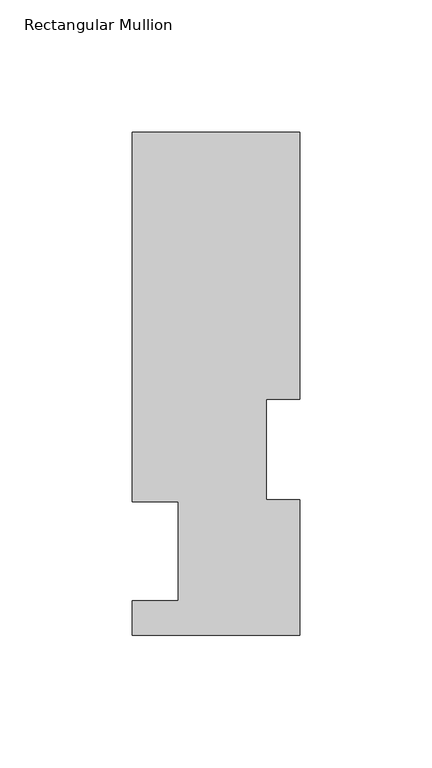
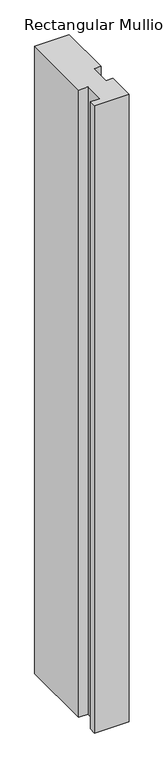
"""IFC4 building model written with IfcOpenShell, lengths in millimetres: member geometry, Rectangular Mullion."""

import ifcopenshell
import ifcopenshell.guid

model = None  # the IFC model being written
_history = None  # IfcOwnerHistory: only IFC2X3 demands one
_inside = {}  # id of a spatial element -> (the spatial element, [elements in it])
_under = {}  # id of a project, library or spatial element -> (it, [spatial elements below it])
_declared = {}  # id of a project -> (the project, [libraries it declares])
_typed = {}  # id of a type object -> (the type object, [elements of that type])
_made_of = {}  # id of a material, layer set ... -> (it, [elements and type objects made of it])


def new_model(schema):
    """Start an empty IFC model of exactly this schema.

    Asked for "IFC4X3", IfcOpenShell would pick the latest addendum, in which some entities
    have other attributes; the version numbers below select the first issue.
    IFC2X3 requires an IfcOwnerHistory on every rooted entity: one is made here for all.
    """
    global model, _history
    if schema == "IFC4X3":
        model = ifcopenshell.file(schema_version=(4, 3, 0, 0))
    else:
        model = ifcopenshell.file(schema=schema)
    _inside.clear()
    _under.clear()
    _declared.clear()
    _typed.clear()
    _made_of.clear()
    _history = None
    if model.schema == "IFC2X3":
        org = make("IfcOrganization", Name="unknown")
        user = make(
            "IfcPersonAndOrganization",
            ThePerson=make("IfcPerson", FamilyName="unknown"),
            TheOrganization=org,
        )
        app = make(
            "IfcApplication",
            ApplicationDeveloper=org,
            Version="unknown",
            ApplicationFullName="unknown",
            ApplicationIdentifier="unknown",
        )
        _history = make(
            "IfcOwnerHistory",
            OwningUser=user,
            OwningApplication=app,
            ChangeAction="ADDED",
            CreationDate=0,
        )
    return model


def make(cls, **values):
    """One entity of the class cls with the attributes given. An attribute that is None is left unset."""
    return model.create_entity(
        cls, **{name: value for name, value in values.items() if value is not None}
    )


def rooted(cls, **values):
    """An entity with a GlobalId (a new one), such as an element, a storey or a relation."""
    return make(cls, GlobalId=ifcopenshell.guid.new(), OwnerHistory=_history, **values)


def si_unit(unit_type, name, prefix=None):
    """IfcSIUnit, for example si_unit("LENGTHUNIT", "METRE", prefix="MILLI")."""
    return make("IfcSIUnit", UnitType=unit_type, Prefix=prefix, Name=name)


def assignment(units):
    """IfcUnitAssignment: the units of a project."""
    return None if units is None else make("IfcUnitAssignment", Units=units)


def point(xyz):
    """IfcCartesianPoint."""
    return None if xyz is None else make("IfcCartesianPoint", Coordinates=xyz)


def direction(xyz):
    """IfcDirection."""
    return None if xyz is None else make("IfcDirection", DirectionRatios=xyz)


def frame(location, z_axis=None, x_axis=None):
    """IfcAxis2Placement3D, a coordinate frame: its origin and axes. An axis left out is left unset."""
    return make(
        "IfcAxis2Placement3D",
        Location=point(location),
        Axis=direction(z_axis),
        RefDirection=direction(x_axis),
    )


def origin():
    """The frame at (0, 0, 0) with its axes left unset."""
    return frame((0.0, 0.0, 0.0))


def place(relative_to, where):
    """IfcLocalPlacement: puts the frame where relative to a parent placement (None: the world)."""
    return make(
        "IfcLocalPlacement", PlacementRelTo=relative_to, RelativePlacement=where
    )


def context(
    kind, dimensions, precision=None, world=None, true_north=None, identifier=None
):
    """IfcGeometricRepresentationContext, for example the 3D "Model" context."""
    return make(
        "IfcGeometricRepresentationContext",
        ContextIdentifier=identifier,
        ContextType=kind,
        CoordinateSpaceDimension=dimensions,
        Precision=precision,
        WorldCoordinateSystem=world,
        TrueNorth=true_north,
    )


def project(units=None, contexts=None):
    """IfcProject with its units and contexts."""
    return rooted(
        "IfcProject",
        Name="project",
        RepresentationContexts=contexts,
        UnitsInContext=assignment(units),
    )


def spatial(cls, under=None, at=None, **own):
    """A site, building, storey or space (cls), placed at a placement, below another one or the project."""
    s = rooted(cls, ObjectPlacement=at, **own)
    if under is not None:
        _under.setdefault(under.id(), (under, []))[1].append(s)
    return s


def polyline(points):
    """IfcPolyline through the points."""
    return make("IfcPolyline", Points=[point(p) for p in points])


def outline(outer, holes=None, kind="AREA"):
    """IfcArbitraryClosedProfileDef: a profile drawn as a closed curve; with holes, ...WithVoids."""
    if holes is None:
        return make("IfcArbitraryClosedProfileDef", ProfileType=kind, OuterCurve=outer)
    return make(
        "IfcArbitraryProfileDefWithVoids",
        ProfileType=kind,
        OuterCurve=outer,
        InnerCurves=holes,
    )


def extrude(swept, where, along, depth):
    """IfcExtrudedAreaSolid: the profile swept, set in the frame where, extruded along a direction by depth."""
    return make(
        "IfcExtrudedAreaSolid",
        SweptArea=swept,
        Position=where,
        ExtrudedDirection=direction(along),
        Depth=depth,
    )


def shape(context_of_items, identifier, shape_type, items):
    """IfcShapeRepresentation: the items that make up one representation, for example the "Body"."""
    return make(
        "IfcShapeRepresentation",
        ContextOfItems=context_of_items,
        RepresentationIdentifier=identifier,
        RepresentationType=shape_type,
        Items=items,
    )


def source(mapping_origin, context_of_items, identifier, shape_type, items):
    """IfcRepresentationMap: a shape defined once, which mapped items show again and again."""
    return make(
        "IfcRepresentationMap",
        MappingOrigin=mapping_origin,
        MappedRepresentation=shape(context_of_items, identifier, shape_type, items),
    )


def transform(
    local_origin,
    x_axis=None,
    y_axis=None,
    z_axis=None,
    scale=None,
    scale2=None,
    scale3=None,
    uniform=True,
):
    """IfcCartesianTransformationOperator3D, or its non-uniform kind. x_axis, y_axis, z_axis: its Axis1, 2, 3."""
    if uniform:
        return make(
            "IfcCartesianTransformationOperator3D",
            Axis1=direction(x_axis),
            Axis2=direction(y_axis),
            LocalOrigin=point(local_origin),
            Scale=scale,
            Axis3=direction(z_axis),
        )
    return make(
        "IfcCartesianTransformationOperator3DnonUniform",
        Axis1=direction(x_axis),
        Axis2=direction(y_axis),
        LocalOrigin=point(local_origin),
        Scale=scale,
        Axis3=direction(z_axis),
        Scale2=scale2,
        Scale3=scale3,
    )


def mapped(mapping_source, mapping_target):
    """IfcMappedItem: shows the shape of a source again, moved by a transform."""
    return make(
        "IfcMappedItem", MappingSource=mapping_source, MappingTarget=mapping_target
    )


def made_of(thing, what):
    """Note that an element or type object is made of a material, layer set ...; save() writes the relation."""
    if what is not None:
        _made_of.setdefault(what.id(), (what, []))[1].append(thing)
    return thing


def element(
    cls,
    number,
    at=None,
    inside=None,
    cuts=None,
    type_object=None,
    material=None,
    context=None,
    identifier="Body",
    shape_type=None,
    held_by="IfcProductDefinitionShape",
    body=None,
    shapes=None,
    **own,
):
    """One element of the class cls, such as IfcWall. Its Tag is "e" and its number.

    at: its placement. inside: the storey or other place that contains it. cuts: it is an
    opening in that element (IfcRelVoidsElement). A single representation is given by context,
    identifier, shape_type and body (its items); several are given by shapes. held_by: the class
    of the entity that holds the representations. save() writes the other relations.
    """
    e = rooted(cls, Tag="e%d" % number, ObjectPlacement=at, **own)
    if body is not None:
        shapes = [shape(context, identifier, shape_type, body)]
    if shapes is not None:
        e.Representation = make(held_by, Representations=shapes)
    if inside is not None:
        _inside.setdefault(inside.id(), (inside, []))[1].append(e)
    if cuts is not None:
        rooted(
            "IfcRelVoidsElement", RelatingBuildingElement=cuts, RelatedOpeningElement=e
        )
    if type_object is not None:
        _typed.setdefault(type_object.id(), (type_object, []))[1].append(e)
    return made_of(e, material)


def aggregate(whole, parts):
    """IfcRelAggregates: a whole, such as a stair, and the parts it consists of."""
    return rooted("IfcRelAggregates", RelatingObject=whole, RelatedObjects=parts)


def save(model, path):
    """Write the relations noted so far, then the file.

    IfcRelAggregates (storeys below a building ...), IfcRelContainedInSpatialStructure (elements
    in a storey), IfcRelDefinesByType, IfcRelAssociatesMaterial and IfcRelDeclares: one each for
    every whole, place, type object, material and project.
    """
    for whole, parts in _under.values():
        aggregate(whole, parts)
    for where, things in _inside.values():
        rooted(
            "IfcRelContainedInSpatialStructure",
            RelatedElements=things,
            RelatingStructure=where,
        )
    for kind, things in _typed.values():
        rooted("IfcRelDefinesByType", RelatedObjects=things, RelatingType=kind)
    for what, things in _made_of.values():
        rooted("IfcRelAssociatesMaterial", RelatedObjects=things, RelatingMaterial=what)
    for by, libraries in _declared.values():
        rooted("IfcRelDeclares", RelatingContext=by, RelatedDefinitions=libraries)
    model.write(path)


def rectangular_mullion_aed1634f(model_context):
    return source(origin(), model_context, "Body", "SweptSolid", [
        extrude(outline(polyline([(31.75, 190.7881313), (31.75, 89.5945313), (19.05, 89.5945313), (19.05, 51.4945315), (31.7595098, 51.4945315), (31.7595098, 0.2119312), (-31.7500004, 0.2119312), (-31.7500004, 13.3945312), (-14.2748004, 13.3945312), (-14.2748004, 50.8087294), (-31.7500004, 50.8087294), (-31.7500004, 190.7881313), (31.75, 190.7881313)])), frame((0.0, 0.0, -1219.2), z_axis=(0.0, 0.0, 1.0), x_axis=(1.0, 0.0, 0.0)), (0.0, 0.0, 1.0), 1219.2),
    ])


if __name__ == "__main__":
    model = new_model("IFC4")
    model_context = context("Model", 3, world=origin())
    ifc_project = project(units=[si_unit("LENGTHUNIT", "METRE", prefix="MILLI")], contexts=[model_context])
    site = spatial("IfcSite", under=ifc_project)
    building = spatial("IfcBuilding", under=site)
    placement = place(None, origin())
    rectangular_mullion_shape = rectangular_mullion_aed1634f(model_context)
    element("IfcMember", 1, ObjectType="Rectangular Mullion", at=placement, inside=building, context=model_context, shape_type="MappedRepresentation", body=[
        mapped(rectangular_mullion_shape, transform((0.0, 0.0, 0.0), x_axis=(1.0, 0.0, 0.0), y_axis=(0.0, 1.0, 0.0), z_axis=(0.0, 0.0, 1.0))),
    ])
    save(model, "model.ifc")
